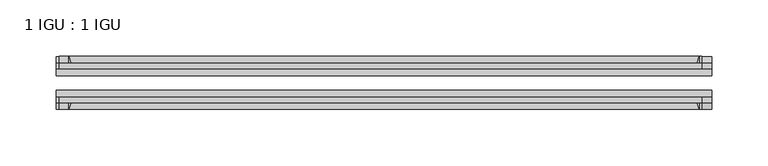
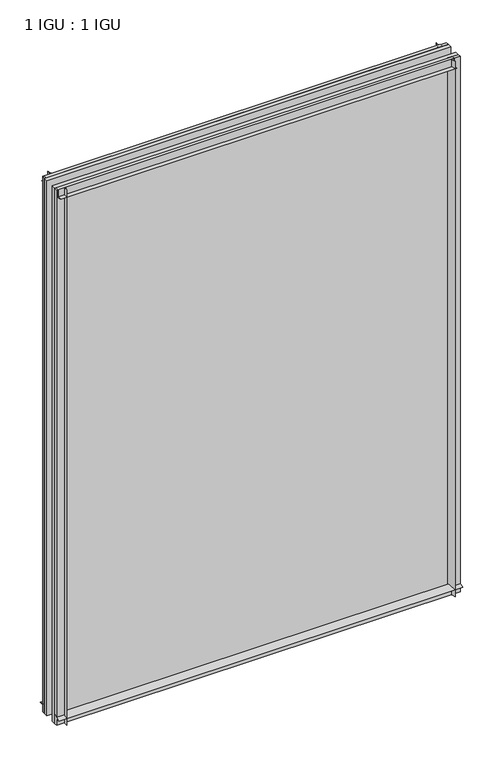
"""IFC4 building model written with IfcOpenShell, lengths in millimetres: plate geometry, 1 IGU : 1 IGU."""

from ifc_helpers import new_model, si_unit, point, frame, frame_2d, origin, place, context, project, spatial, polyline, circle_curve, trimmed, segment, composite_curve, outline, extrude, source, transform, mapped, element, save


def plate_1_igu_1_igu_0ea53e63(model_context):
    return source(origin(), model_context, "Body", "SweptSolid", [
        extrude(outline(composite_curve([segment(trimmed(circle_curve(frame_2d((-28.0741797, 32.2797688)), 32.7673262), [point((-44.45, 3.8979053))], [point((-33.7058, 1.48e-05))], True, "CARTESIAN"), True, "CONTINUOUS"), segment(polyline([(-33.7058, 1.48e-05), (-39.6748, 1.48e-05), (-39.6748, -10.31875), (-44.45, -10.31875), (-44.45, 3.8979053)]), True, "CONTINUOUS")], self_intersect=False)), frame((-290.5125, 0.0, 0.0), z_axis=(1.0, 0.0, 0.0), x_axis=(0.0, 1.0, 0.0)), (0.0, 0.0, 1.0), 581.025),
        extrude(outline(composite_curve([segment(trimmed(circle_curve(frame_2d((-86.2258203, 32.2797602)), 32.7673262), [point((-80.5942354, 0.0))], [point((-69.85, 3.8978967))], True, "CARTESIAN"), True, "CONTINUOUS"), segment(polyline([(-69.85, 3.8978967), (-69.85, -10.31875), (-74.6252, -10.31875), (-74.6252, 0.0), (-80.5942354, 0.0)]), True, "CONTINUOUS")], self_intersect=False)), frame((-290.5125, 0.0, 0.0), z_axis=(1.0, 0.0, 0.0), x_axis=(0.0, 1.0, 0.0)), (0.0, 0.0, 1.0), 581.025),
        extrude(outline(composite_curve([segment(polyline([(-80.5942, 792.95625), (-74.6252, 792.95625), (-74.6252, 804.06875), (-69.85, 804.06875), (-69.85, 789.0583595)]), True, "CONTINUOUS"), segment(trimmed(circle_curve(frame_2d((-86.2258203, 760.676496)), 32.7673262), [point((-69.85, 789.0583595))], [point((-80.5942, 792.95625))], True, "CARTESIAN"), True, "CONTINUOUS")], self_intersect=False)), frame((-287.9127386, 0.0, 0.0), z_axis=(1.0, 0.0, 0.0), x_axis=(0.0, 1.0, 0.0)), (0.0, 0.0, 1.0), 569.8587001),
        extrude(outline(composite_curve([segment(polyline([(-39.6748, 804.06875), (-39.6748, 792.95625), (-33.7058, 792.95625)]), True, "CONTINUOUS"), segment(trimmed(circle_curve(frame_2d((-28.0741797, 760.676496)), 32.7673262), [point((-33.7058, 792.95625))], [point((-44.45, 789.0583595))], True, "CARTESIAN"), True, "CONTINUOUS"), segment(polyline([(-44.45, 789.0583595), (-44.45, 804.06875), (-39.6748, 804.06875)]), True, "CONTINUOUS")], self_intersect=False)), frame((-287.9127386, 0.0, 0.0), z_axis=(1.0, 0.0, 0.0), x_axis=(0.0, 1.0, 0.0)), (0.0, 0.0, 1.0), 569.8587001),
        extrude(outline(composite_curve([segment(polyline([(290.5125, -39.6748), (290.5125, -44.45), (275.5021095, -44.45)]), True, "CONTINUOUS"), segment(trimmed(circle_curve(frame_2d((247.120246, -28.0741797)), 32.7673262), [point((275.5021095, -44.45))], [point((279.4, -33.7058))], True, "CARTESIAN"), True, "CONTINUOUS"), segment(polyline([(279.4, -33.7058), (279.4, -39.6748), (290.5125, -39.6748)]), True, "CONTINUOUS")], self_intersect=False)), frame((0.0, 0.0, -10.31875), z_axis=(0.0, 0.0, 1.0), x_axis=(1.0, 0.0, 0.0)), (0.0, 0.0, 1.0), 814.3875),
        extrude(outline(composite_curve([segment(polyline([(290.5125, -69.85), (290.5125, -74.6252), (279.4, -74.6252), (279.4, -80.5942)]), True, "CONTINUOUS"), segment(trimmed(circle_curve(frame_2d((247.120246, -86.2258203)), 32.7673262), [point((279.4, -80.5942))], [point((275.5021095, -69.85))], True, "CARTESIAN"), True, "CONTINUOUS"), segment(polyline([(275.5021095, -69.85), (290.5125, -69.85)]), True, "CONTINUOUS")], self_intersect=False)), frame((0.0, 0.0, -10.31875), z_axis=(0.0, 0.0, 1.0), x_axis=(1.0, 0.0, 0.0)), (0.0, 0.0, 1.0), 814.3875),
        extrude(outline(composite_curve([segment(polyline([(-290.5125, -39.6748), (-279.4, -39.6748), (-279.4, -33.7058)]), True, "CONTINUOUS"), segment(trimmed(circle_curve(frame_2d((-247.120246, -28.0741797)), 32.7673262), [point((-279.4, -33.7058))], [point((-275.5021095, -44.45))], True, "CARTESIAN"), True, "CONTINUOUS"), segment(polyline([(-275.5021095, -44.45), (-290.5125, -44.45), (-290.5125, -39.6748)]), True, "CONTINUOUS")], self_intersect=False)), frame((0.0, 0.0, -10.31875), z_axis=(0.0, 0.0, 1.0), x_axis=(1.0, 0.0, 0.0)), (0.0, 0.0, 1.0), 814.3875),
        extrude(outline(composite_curve([segment(polyline([(-290.5125, -74.6252), (-290.5125, -69.85), (-275.5021095, -69.85)]), True, "CONTINUOUS"), segment(trimmed(circle_curve(frame_2d((-247.120246, -86.2258203)), 32.7673262), [point((-275.5021095, -69.85))], [point((-279.4, -80.5942))], True, "CARTESIAN"), True, "CONTINUOUS"), segment(polyline([(-279.4, -80.5942), (-279.4, -74.6252), (-290.5125, -74.6252)]), True, "CONTINUOUS")], self_intersect=False)), frame((0.0, 0.0, -10.31875), z_axis=(0.0, 0.0, 1.0), x_axis=(1.0, 0.0, 0.0)), (0.0, 0.0, 1.0), 814.3875),
        extrude(outline(polyline([(-290.5125, -69.85), (-290.5125, -63.5508), (290.5125, -63.5508), (290.5125, -69.85), (-290.5125, -69.85)])), frame((0.0, 0.0, -10.31875), z_axis=(0.0, 0.0, 1.0), x_axis=(1.0, 0.0, 0.0)), (0.0, 0.0, 1.0), 814.3875),
        extrude(outline(polyline([(290.5125, -50.7492), (-290.5125, -50.7492), (-290.5125, -44.45), (290.5125, -44.45), (290.5125, -50.7492)])), frame((0.0, 0.0, -10.31875), z_axis=(0.0, 0.0, 1.0), x_axis=(1.0, 0.0, 0.0)), (0.0, 0.0, 1.0), 814.3875),
    ])


if __name__ == "__main__":
    model = new_model("IFC4")
    model_context = context("Model", 3, world=origin())
    ifc_project = project(units=[si_unit("LENGTHUNIT", "METRE", prefix="MILLI")], contexts=[model_context])
    site = spatial("IfcSite", under=ifc_project)
    building = spatial("IfcBuilding", under=site)
    placement = place(None, origin())
    plate_1_igu_1_igu_shape = plate_1_igu_1_igu_0ea53e63(model_context)
    element("IfcPlate", 1, ObjectType="1 IGU : 1 IGU", at=placement, inside=building, context=model_context, shape_type="MappedRepresentation", body=[
        mapped(plate_1_igu_1_igu_shape, transform((0.0, 0.0, 0.0), x_axis=(1.0, 0.0, 0.0), y_axis=(0.0, 1.0, 0.0), z_axis=(0.0, 0.0, 1.0))),
    ])
    save(model, "model.ifc")
